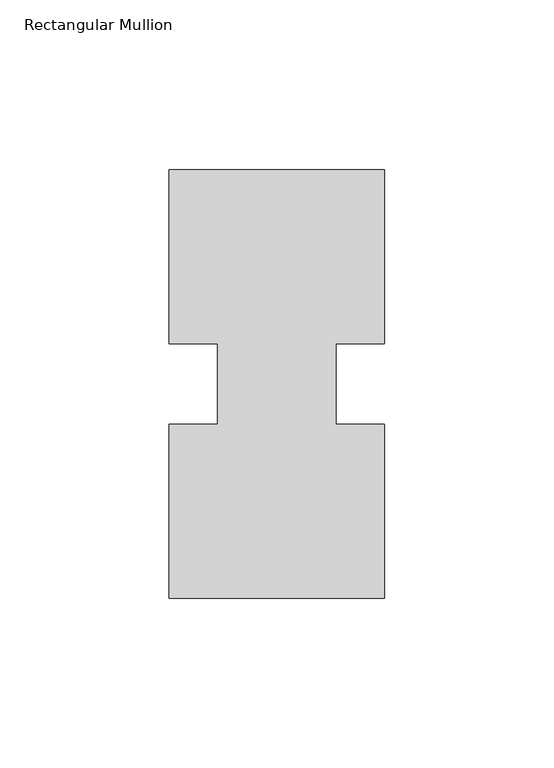
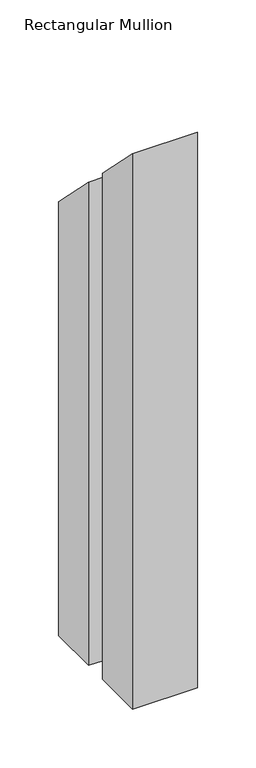
"""IFC4 building model written with IfcOpenShell, lengths in millimetres: member geometry, Rectangular Mullion."""

from ifc_helpers import new_model, si_unit, origin, place, context, project, spatial, faceted_brep, source, transform, mapped, element, save


def rectangular_mullion_84350d4e(model_context):
    return source(origin(), model_context, "Body", "Brep", [
        faceted_brep([(0.0, 0.26035, -577.81825), (-63.5, 0.26035, -577.81825), (-63.5, 51.60645, -577.81825), (-49.2125, 51.60645, -577.81825), (-49.2125, 75.40625, -577.81825), (-63.5, 75.40625, -577.81825), (-63.5, 126.75235, -577.81825), (0.0, 126.75235, -577.81825), (0.0, 75.40625, -577.81825), (-14.2748, 75.40625, -577.81825), (-14.2748, 51.60645, -577.81825), (0.0, 51.60645, -577.81825), (0.0, 51.60645, -51.60645), (0.0, 0.26035, -0.26035), (-14.2748, 51.60645, -51.60645), (-14.2748, 75.40625, -75.40625), (0.0, 75.40625, -75.40625), (0.0, 126.75235, -126.75235), (-63.5, 126.75235, -126.75235), (-63.5, 75.40625, -75.40625), (-49.2125, 75.40625, -75.40625), (-49.2125, 51.60645, -51.60645), (-63.5, 51.60645, -51.60645), (-63.5, 0.26035, -0.26035)], [[[0, 1, 2, 3, 4, 5, 6, 7, 8, 9, 10, 11]], [[12, 13, 0, 11]], [[14, 12, 11, 10]], [[15, 14, 10, 9]], [[16, 15, 9, 8]], [[17, 16, 8, 7]], [[18, 17, 7, 6]], [[19, 18, 6, 5]], [[20, 19, 5, 4]], [[21, 20, 4, 3]], [[22, 21, 3, 2]], [[23, 22, 2, 1]], [[13, 23, 1, 0]], [[13, 12, 14, 15, 16, 17, 18, 19, 20, 21, 22, 23]]]),
    ])


if __name__ == "__main__":
    model = new_model("IFC4")
    model_context = context("Model", 3, world=origin())
    ifc_project = project(units=[si_unit("LENGTHUNIT", "METRE", prefix="MILLI")], contexts=[model_context])
    site = spatial("IfcSite", under=ifc_project)
    building = spatial("IfcBuilding", under=site)
    placement = place(None, origin())
    rectangular_mullion_shape = rectangular_mullion_84350d4e(model_context)
    element("IfcMember", 1, ObjectType="Rectangular Mullion", at=placement, inside=building, context=model_context, shape_type="MappedRepresentation", body=[
        mapped(rectangular_mullion_shape, transform((0.0, 0.0, 0.0), x_axis=(1.0, 0.0, 0.0), y_axis=(0.0, 1.0, 0.0), z_axis=(0.0, 0.0, 1.0))),
    ])
    save(model, "model.ifc")
